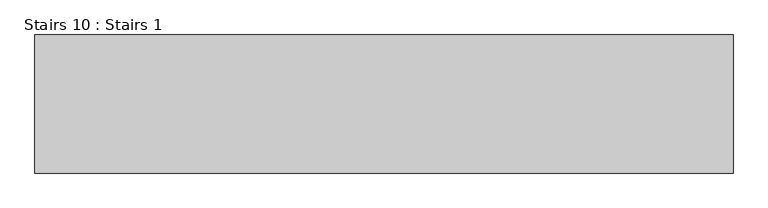
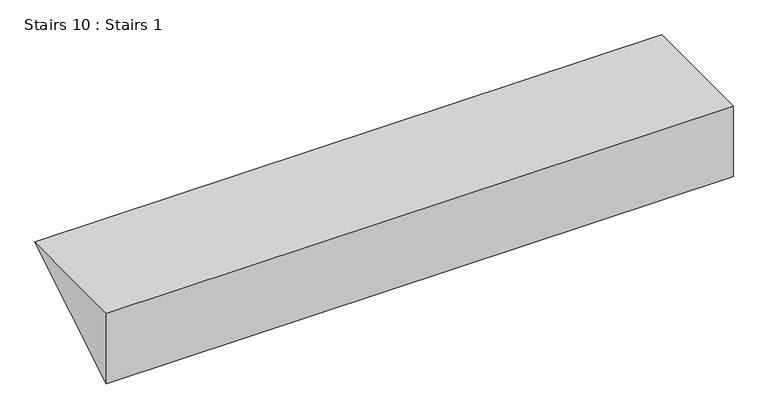
"""IFC4 building model written with IfcOpenShell, lengths in millimetres: stair geometry, Stairs 10 : Stairs 1."""

from ifc_helpers import new_model, si_unit, frame, origin, place, context, project, spatial, polyline, outline, extrude, source, transform, mapped, element, save


def stairs_10_stairs_1_dc190565(model_context):
    return source(origin(), model_context, "Body", "SweptSolid", [
        extrude(outline(polyline([(-6184.0672499, 4379.5691033), (-6184.0672499, 4550.0), (-5901.1384886, 4550.0), (-6184.0672499, 4379.5691033)])), frame((-32245.6912908, 0.0, 0.0), z_axis=(1.0, 0.0, 0.0), x_axis=(0.0, 1.0, 0.0)), (0.0, 0.0, 1.0), 1430.0),
    ])


if __name__ == "__main__":
    model = new_model("IFC4")
    model_context = context("Model", 3, world=origin())
    ifc_project = project(units=[si_unit("LENGTHUNIT", "METRE", prefix="MILLI")], contexts=[model_context])
    site = spatial("IfcSite", under=ifc_project)
    building = spatial("IfcBuilding", under=site)
    placement = place(None, origin())
    stairs_10_stairs_1_shape = stairs_10_stairs_1_dc190565(model_context)
    element("IfcStair", 1, ObjectType="Stairs 10 : Stairs 1", at=placement, inside=building, context=model_context, shape_type="MappedRepresentation", body=[
        mapped(stairs_10_stairs_1_shape, transform((0.0, 0.0, 0.0), x_axis=(1.0, 0.0, 0.0), y_axis=(0.0, 1.0, 0.0), z_axis=(0.0, 0.0, 1.0))),
    ])
    save(model, "model.ifc")
